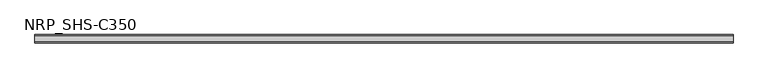
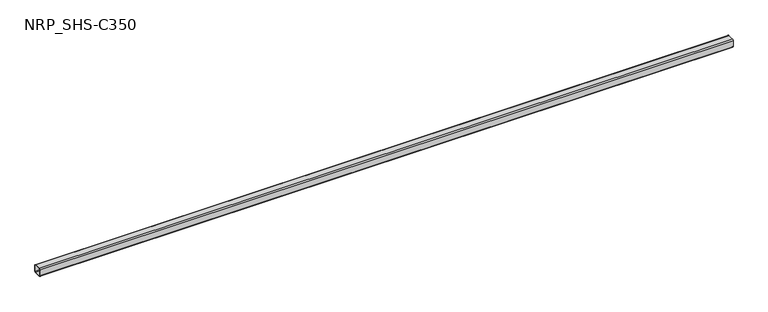
"""IFC4 building model written with IfcOpenShell, lengths in millimetres: member geometry, NRP_SHS-C350."""

import ifcopenshell
import ifcopenshell.guid

model = None  # the IFC model being written
_history = None  # IfcOwnerHistory: only IFC2X3 demands one
_inside = {}  # id of a spatial element -> (the spatial element, [elements in it])
_under = {}  # id of a project, library or spatial element -> (it, [spatial elements below it])
_declared = {}  # id of a project -> (the project, [libraries it declares])
_typed = {}  # id of a type object -> (the type object, [elements of that type])
_made_of = {}  # id of a material, layer set ... -> (it, [elements and type objects made of it])


def new_model(schema):
    """Start an empty IFC model of exactly this schema.

    Asked for "IFC4X3", IfcOpenShell would pick the latest addendum, in which some entities
    have other attributes; the version numbers below select the first issue.
    IFC2X3 requires an IfcOwnerHistory on every rooted entity: one is made here for all.
    """
    global model, _history
    if schema == "IFC4X3":
        model = ifcopenshell.file(schema_version=(4, 3, 0, 0))
    else:
        model = ifcopenshell.file(schema=schema)
    _inside.clear()
    _under.clear()
    _declared.clear()
    _typed.clear()
    _made_of.clear()
    _history = None
    if model.schema == "IFC2X3":
        org = make("IfcOrganization", Name="unknown")
        user = make(
            "IfcPersonAndOrganization",
            ThePerson=make("IfcPerson", FamilyName="unknown"),
            TheOrganization=org,
        )
        app = make(
            "IfcApplication",
            ApplicationDeveloper=org,
            Version="unknown",
            ApplicationFullName="unknown",
            ApplicationIdentifier="unknown",
        )
        _history = make(
            "IfcOwnerHistory",
            OwningUser=user,
            OwningApplication=app,
            ChangeAction="ADDED",
            CreationDate=0,
        )
    return model


def make(cls, **values):
    """One entity of the class cls with the attributes given. An attribute that is None is left unset."""
    return model.create_entity(
        cls, **{name: value for name, value in values.items() if value is not None}
    )


def rooted(cls, **values):
    """An entity with a GlobalId (a new one), such as an element, a storey or a relation."""
    return make(cls, GlobalId=ifcopenshell.guid.new(), OwnerHistory=_history, **values)


def si_unit(unit_type, name, prefix=None):
    """IfcSIUnit, for example si_unit("LENGTHUNIT", "METRE", prefix="MILLI")."""
    return make("IfcSIUnit", UnitType=unit_type, Prefix=prefix, Name=name)


def assignment(units):
    """IfcUnitAssignment: the units of a project."""
    return None if units is None else make("IfcUnitAssignment", Units=units)


def point(xyz):
    """IfcCartesianPoint."""
    return None if xyz is None else make("IfcCartesianPoint", Coordinates=xyz)


def direction(xyz):
    """IfcDirection."""
    return None if xyz is None else make("IfcDirection", DirectionRatios=xyz)


def frame(location, z_axis=None, x_axis=None):
    """IfcAxis2Placement3D, a coordinate frame: its origin and axes. An axis left out is left unset."""
    return make(
        "IfcAxis2Placement3D",
        Location=point(location),
        Axis=direction(z_axis),
        RefDirection=direction(x_axis),
    )


def frame_2d(location, x_axis=None):
    """IfcAxis2Placement2D, a coordinate frame in the plane: its origin and x axis."""
    return make(
        "IfcAxis2Placement2D", Location=point(location), RefDirection=direction(x_axis)
    )


def origin():
    """The frame at (0, 0, 0) with its axes left unset."""
    return frame((0.0, 0.0, 0.0))


def place(relative_to, where):
    """IfcLocalPlacement: puts the frame where relative to a parent placement (None: the world)."""
    return make(
        "IfcLocalPlacement", PlacementRelTo=relative_to, RelativePlacement=where
    )


def context(
    kind, dimensions, precision=None, world=None, true_north=None, identifier=None
):
    """IfcGeometricRepresentationContext, for example the 3D "Model" context."""
    return make(
        "IfcGeometricRepresentationContext",
        ContextIdentifier=identifier,
        ContextType=kind,
        CoordinateSpaceDimension=dimensions,
        Precision=precision,
        WorldCoordinateSystem=world,
        TrueNorth=true_north,
    )


def project(units=None, contexts=None):
    """IfcProject with its units and contexts."""
    return rooted(
        "IfcProject",
        Name="project",
        RepresentationContexts=contexts,
        UnitsInContext=assignment(units),
    )


def spatial(cls, under=None, at=None, **own):
    """A site, building, storey or space (cls), placed at a placement, below another one or the project."""
    s = rooted(cls, ObjectPlacement=at, **own)
    if under is not None:
        _under.setdefault(under.id(), (under, []))[1].append(s)
    return s


def polyline(points):
    """IfcPolyline through the points."""
    return make("IfcPolyline", Points=[point(p) for p in points])


def circle_curve(where, radius):
    """IfcCircle in the frame where."""
    return make("IfcCircle", Position=where, Radius=radius)


def trimmed(basis, trim1, trim2, sense, master):
    """IfcTrimmedCurve: the piece of a basis curve between two trims."""
    return make(
        "IfcTrimmedCurve",
        BasisCurve=basis,
        Trim1=trim1,
        Trim2=trim2,
        SenseAgreement=sense,
        MasterRepresentation=master,
    )


def segment(curve, same_sense, transition):
    """IfcCompositeCurveSegment."""
    return make(
        "IfcCompositeCurveSegment",
        Transition=transition,
        SameSense=same_sense,
        ParentCurve=curve,
    )


def composite_curve(segments, self_intersect=None):
    """IfcCompositeCurve: segments joined end to end."""
    return make("IfcCompositeCurve", Segments=segments, SelfIntersect=self_intersect)


def outline(outer, holes=None, kind="AREA"):
    """IfcArbitraryClosedProfileDef: a profile drawn as a closed curve; with holes, ...WithVoids."""
    if holes is None:
        return make("IfcArbitraryClosedProfileDef", ProfileType=kind, OuterCurve=outer)
    return make(
        "IfcArbitraryProfileDefWithVoids",
        ProfileType=kind,
        OuterCurve=outer,
        InnerCurves=holes,
    )


def extrude(swept, where, along, depth):
    """IfcExtrudedAreaSolid: the profile swept, set in the frame where, extruded along a direction by depth."""
    return make(
        "IfcExtrudedAreaSolid",
        SweptArea=swept,
        Position=where,
        ExtrudedDirection=direction(along),
        Depth=depth,
    )


def shape(context_of_items, identifier, shape_type, items):
    """IfcShapeRepresentation: the items that make up one representation, for example the "Body"."""
    return make(
        "IfcShapeRepresentation",
        ContextOfItems=context_of_items,
        RepresentationIdentifier=identifier,
        RepresentationType=shape_type,
        Items=items,
    )


def source(mapping_origin, context_of_items, identifier, shape_type, items):
    """IfcRepresentationMap: a shape defined once, which mapped items show again and again."""
    return make(
        "IfcRepresentationMap",
        MappingOrigin=mapping_origin,
        MappedRepresentation=shape(context_of_items, identifier, shape_type, items),
    )


def transform(
    local_origin,
    x_axis=None,
    y_axis=None,
    z_axis=None,
    scale=None,
    scale2=None,
    scale3=None,
    uniform=True,
):
    """IfcCartesianTransformationOperator3D, or its non-uniform kind. x_axis, y_axis, z_axis: its Axis1, 2, 3."""
    if uniform:
        return make(
            "IfcCartesianTransformationOperator3D",
            Axis1=direction(x_axis),
            Axis2=direction(y_axis),
            LocalOrigin=point(local_origin),
            Scale=scale,
            Axis3=direction(z_axis),
        )
    return make(
        "IfcCartesianTransformationOperator3DnonUniform",
        Axis1=direction(x_axis),
        Axis2=direction(y_axis),
        LocalOrigin=point(local_origin),
        Scale=scale,
        Axis3=direction(z_axis),
        Scale2=scale2,
        Scale3=scale3,
    )


def mapped(mapping_source, mapping_target):
    """IfcMappedItem: shows the shape of a source again, moved by a transform."""
    return make(
        "IfcMappedItem", MappingSource=mapping_source, MappingTarget=mapping_target
    )


def made_of(thing, what):
    """Note that an element or type object is made of a material, layer set ...; save() writes the relation."""
    if what is not None:
        _made_of.setdefault(what.id(), (what, []))[1].append(thing)
    return thing


def element(
    cls,
    number,
    at=None,
    inside=None,
    cuts=None,
    type_object=None,
    material=None,
    context=None,
    identifier="Body",
    shape_type=None,
    held_by="IfcProductDefinitionShape",
    body=None,
    shapes=None,
    **own,
):
    """One element of the class cls, such as IfcWall. Its Tag is "e" and its number.

    at: its placement. inside: the storey or other place that contains it. cuts: it is an
    opening in that element (IfcRelVoidsElement). A single representation is given by context,
    identifier, shape_type and body (its items); several are given by shapes. held_by: the class
    of the entity that holds the representations. save() writes the other relations.
    """
    e = rooted(cls, Tag="e%d" % number, ObjectPlacement=at, **own)
    if body is not None:
        shapes = [shape(context, identifier, shape_type, body)]
    if shapes is not None:
        e.Representation = make(held_by, Representations=shapes)
    if inside is not None:
        _inside.setdefault(inside.id(), (inside, []))[1].append(e)
    if cuts is not None:
        rooted(
            "IfcRelVoidsElement", RelatingBuildingElement=cuts, RelatedOpeningElement=e
        )
    if type_object is not None:
        _typed.setdefault(type_object.id(), (type_object, []))[1].append(e)
    return made_of(e, material)


def aggregate(whole, parts):
    """IfcRelAggregates: a whole, such as a stair, and the parts it consists of."""
    return rooted("IfcRelAggregates", RelatingObject=whole, RelatedObjects=parts)


def save(model, path):
    """Write the relations noted so far, then the file.

    IfcRelAggregates (storeys below a building ...), IfcRelContainedInSpatialStructure (elements
    in a storey), IfcRelDefinesByType, IfcRelAssociatesMaterial and IfcRelDeclares: one each for
    every whole, place, type object, material and project.
    """
    for whole, parts in _under.values():
        aggregate(whole, parts)
    for where, things in _inside.values():
        rooted(
            "IfcRelContainedInSpatialStructure",
            RelatedElements=things,
            RelatingStructure=where,
        )
    for kind, things in _typed.values():
        rooted("IfcRelDefinesByType", RelatedObjects=things, RelatingType=kind)
    for what, things in _made_of.values():
        rooted("IfcRelAssociatesMaterial", RelatedObjects=things, RelatingMaterial=what)
    for by, libraries in _declared.values():
        rooted("IfcRelDeclares", RelatingContext=by, RelatedDefinitions=libraries)
    model.write(path)


def nrp_shs_c350_156b074c(model_context):
    return source(origin(), model_context, "Body", "SweptSolid", [
        extrude(outline(composite_curve([segment(trimmed(circle_curve(frame_2d((-32.0, 32.0)), 12.5), [point((-44.5, 32.0))], [point((-32.0, 44.5))], False, "CARTESIAN"), True, "CONTINUOUS"), segment(polyline([(-32.0, 44.5), (32.0, 44.5)]), True, "CONTINUOUS"), segment(trimmed(circle_curve(frame_2d((32.0, 32.0)), 12.5), [point((32.0, 44.5))], [point((44.5, 32.0))], False, "CARTESIAN"), True, "CONTINUOUS"), segment(polyline([(44.5, 32.0), (44.5, -32.0)]), True, "CONTINUOUS"), segment(trimmed(circle_curve(frame_2d((32.0, -32.0)), 12.5), [point((44.5, -32.0))], [point((32.0, -44.5))], False, "CARTESIAN"), True, "CONTINUOUS"), segment(polyline([(32.0, -44.5), (-32.0, -44.5)]), True, "CONTINUOUS"), segment(trimmed(circle_curve(frame_2d((-32.0, -32.0)), 12.5), [point((-32.0, -44.5))], [point((-44.5, -32.0))], False, "CARTESIAN"), True, "CONTINUOUS"), segment(polyline([(-44.5, -32.0), (-44.5, 32.0)]), True, "CONTINUOUS")], self_intersect=False), holes=[composite_curve([segment(polyline([(32.0, 39.5), (-32.0, 39.5)]), True, "CONTINUOUS"), segment(trimmed(circle_curve(frame_2d((-32.0, 32.0)), 7.5), [point((-32.0, 39.5))], [point((-39.5, 32.0))], True, "CARTESIAN"), True, "CONTINUOUS"), segment(polyline([(-39.5, 32.0), (-39.5, -32.0)]), True, "CONTINUOUS"), segment(trimmed(circle_curve(frame_2d((-32.0, -32.0)), 7.5), [point((-39.5, -32.0))], [point((-32.0, -39.5))], True, "CARTESIAN"), True, "CONTINUOUS"), segment(polyline([(-32.0, -39.5), (32.0, -39.5)]), True, "CONTINUOUS"), segment(trimmed(circle_curve(frame_2d((32.0, -32.0)), 7.5), [point((32.0, -39.5))], [point((39.5, -32.0))], True, "CARTESIAN"), True, "CONTINUOUS"), segment(polyline([(39.5, -32.0), (39.5, 32.0)]), True, "CONTINUOUS"), segment(trimmed(circle_curve(frame_2d((32.0, 32.0)), 7.5), [point((39.5, 32.0))], [point((32.0, 39.5))], True, "CARTESIAN"), True, "CONTINUOUS")], self_intersect=False)]), frame((-3722.5, 0.0, 0.0), z_axis=(1.0, 0.0, 0.0), x_axis=(0.0, 1.0, 0.0)), (0.0, 0.0, 1.0), 7382.0),
    ])


if __name__ == "__main__":
    model = new_model("IFC4")
    model_context = context("Model", 3, world=origin())
    ifc_project = project(units=[si_unit("LENGTHUNIT", "METRE", prefix="MILLI")], contexts=[model_context])
    site = spatial("IfcSite", under=ifc_project)
    building = spatial("IfcBuilding", under=site)
    placement = place(None, origin())
    nrp_shs_c350_shape = nrp_shs_c350_156b074c(model_context)
    element("IfcMember", 1, ObjectType="NRP_SHS-C350", at=placement, inside=building, context=model_context, shape_type="MappedRepresentation", body=[
        mapped(nrp_shs_c350_shape, transform((0.0, 0.0, 0.0), x_axis=(1.0, 0.0, 0.0), y_axis=(0.0, 1.0, 0.0), z_axis=(0.0, 0.0, 1.0))),
    ])
    save(model, "model.ifc")
